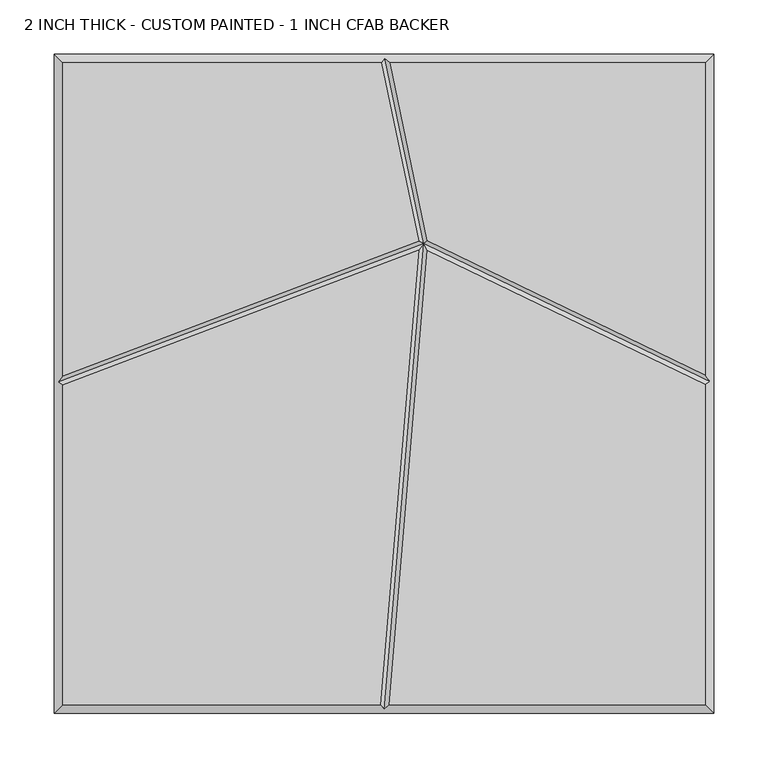
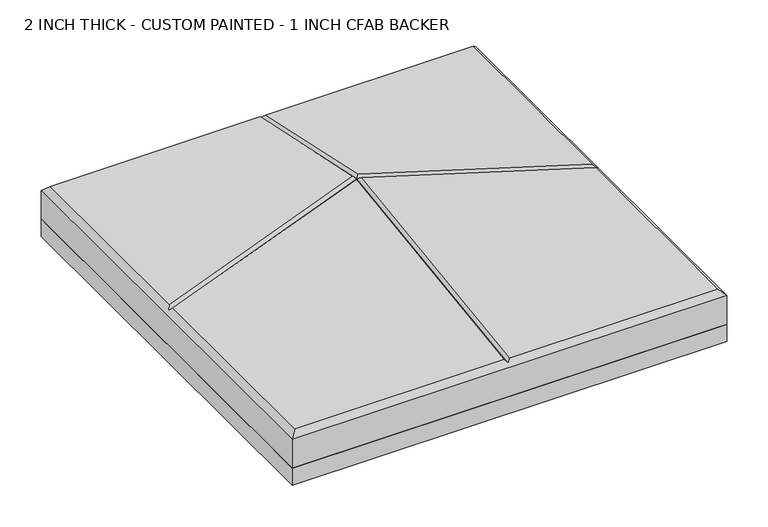
"""IFC4 building model written with IfcOpenShell, lengths in millimetres: proxy geometry, 2 INCH THICK - CUSTOM PAINTED - 1 INCH CFAB BACKER."""

from ifc_helpers import new_model, si_unit, frame, origin, place, context, project, spatial, polyline, outline, extrude, faceted_brep, source, transform, mapped, element, save


def proxy_2_inch_thick_custom_painted_1_inch_cfab_backer_397112e1(model_context):
    return source(origin(), model_context, "Body", "SolidModel", [
        extrude(outline(polyline([(-304.8, 304.8), (304.8, 304.8), (304.8, -304.8), (-304.8, -304.8), (-304.8, 304.8)])), frame((0.0, 0.0, -25.4), z_axis=(0.0, 0.0, 1.0), x_axis=(1.0, 0.0, 0.0)), (0.0, 0.0, 1.0), 25.4),
        faceted_brep([(-296.799, -1.2448936, 50.8), (-296.799, -296.799, 50.8), (-3.3400901, -296.799, 50.8), (32.0932726, 123.4506539, 50.8), (-296.799, 296.799, 50.8), (-296.799, 7.3118593, 50.8), (31.9984357, 131.9714505, 50.8), (-2.4162247, 296.799, 50.8), (296.799, -296.799, 50.8), (296.799, -0.5803511, 50.8), (40.1110006, 123.3123478, 50.8), (4.6892992, -296.799, 50.8), (296.799, 8.3038558, 50.8), (296.799, 296.799, 50.8), (5.757313, 296.799, 50.8), (40.1265394, 132.1890548, 50.8), (-304.8, 304.8, 0.0), (304.8, 304.8, 0.0), (304.8, -304.8, 0.0), (-304.8, -304.8, 0.0), (-304.8, -304.8, 42.799), (-304.8, 304.8, 42.799), (304.8, -304.8, 42.799), (304.8, 304.8, 42.799), (0.8352721, 300.7995, 46.7995), (-300.7995, 1.5167414, 46.7995), (0.3373023, -300.7995, 46.7995), (300.7995, 1.9308762, 46.7995), (36.6131869, 129.4427015, 46.7995)], [[[0, 1, 2, 3]], [[4, 5, 6, 7]], [[8, 9, 10, 11]], [[12, 13, 14, 15]], [[16, 17, 18, 19]], [[16, 19, 20, 21]], [[19, 18, 22, 20]], [[18, 17, 23, 22]], [[17, 16, 21, 23]], [[21, 4, 7, 24, 14, 13, 23]], [[4, 21, 20, 1, 0, 25, 5]], [[1, 20, 22, 8, 11, 26, 2]], [[23, 13, 12, 27, 9, 8, 22]], [[27, 28, 10, 9]], [[28, 27, 12, 15]], [[28, 25, 0, 3]], [[25, 28, 6, 5]], [[24, 28, 15, 14]], [[28, 24, 7, 6]], [[28, 26, 11, 10]], [[26, 28, 3, 2]]]),
    ])


if __name__ == "__main__":
    model = new_model("IFC4")
    model_context = context("Model", 3, world=origin())
    ifc_project = project(units=[si_unit("LENGTHUNIT", "METRE", prefix="MILLI")], contexts=[model_context])
    site = spatial("IfcSite", under=ifc_project)
    building = spatial("IfcBuilding", under=site)
    placement = place(None, origin())
    proxy_2_inch_thick_custom_painted_1_inch_cfab_backer_shape = proxy_2_inch_thick_custom_painted_1_inch_cfab_backer_397112e1(model_context)
    element("IfcBuildingElementProxy", 1, Name="2 INCH THICK - CUSTOM PAINTED - 1 INCH CFAB BACKER", ObjectType="2 INCH THICK - CUSTOM PAINTED - 1 INCH CFAB BACKER", at=placement, inside=building, context=model_context, shape_type="MappedRepresentation", body=[
        mapped(proxy_2_inch_thick_custom_painted_1_inch_cfab_backer_shape, transform((0.0, 0.0, 0.0), x_axis=(1.0, 0.0, 0.0), y_axis=(0.0, 1.0, 0.0), z_axis=(0.0, 0.0, 1.0))),
    ])
    save(model, "model.ifc")
